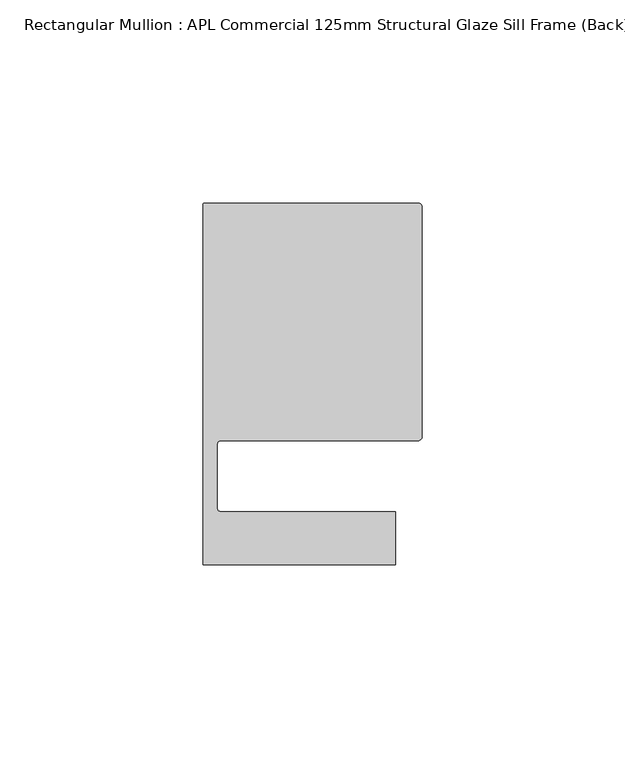
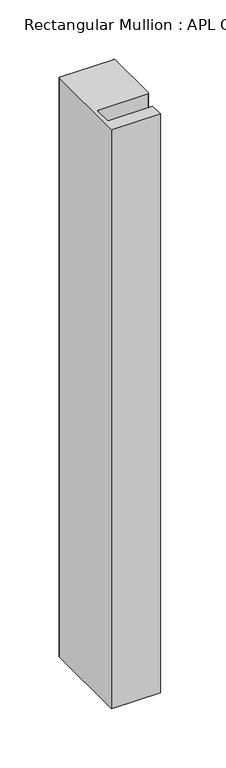
"""IFC4 building model written with IfcOpenShell, lengths in millimetres: member geometry, Rectangular Mullion : APL Commercial 125mm Structural Glaze Sill Frame (Back)."""

from ifc_helpers import new_model, si_unit, frame, origin, place, context, project, spatial, polyline, circle_curve, source, transform, mapped, element, save
from ifc_brep_helpers import plane_surface, cylinder_surface, revolved_surface, advanced_brep


def rectangular_mullion_apl_commercial_125mm_structural_glaze_0c037e33(model_context):
    return source(origin(), model_context, "Body", "AdvancedBrep", [
        advanced_brep(
        [(-53.5000029, 104.0, 0.0), (-54.0000029, 103.5, 0.0), (-54.0000029, 15.0004332, 0.0), (-6.5000029, 15.0004332, 0.0), (-6.5000029, 28.0004332, 0.0), (-49.5000029, 28.0004332, 0.0), (-50.5000029, 29.0004332, 0.0), (-50.5000029, 44.5010268, 0.0), (-49.5000004, 45.5010268, 0.0), (-1.0, 45.5010268, 0.0), (0.0, 46.5010268, 0.0), (0.0, 103.0, 0.0), (-1.0000025, 104.0, 0.0), (-53.5000029, 104.0, -597.1422708), (-1.0000025, 104.0, -597.1422708), (-2.5e-06, 103.0, -597.1422708), (0.0, 46.5010268, -597.1422708), (-1.0, 45.5010268, -597.1422708), (-49.5000004, 45.5010268, -597.1422708), (-50.5000004, 44.5010268, -597.1422708), (-50.5000029, 29.0004332, -597.1422708), (-49.5000029, 28.0004332, -597.1422708), (-6.5000029, 28.0004332, -597.1422708), (-6.5000029, 15.0004332, -597.1422708), (-54.0000029, 15.0004332, -597.1422708), (-54.0000029, 103.5, -597.1422708)],
        [
            (0, 1, circle_curve(frame((-53.5000029, 103.5, 0.0), z_axis=(0.0, 0.0, 1.0), x_axis=(0.0, 1.0, 0.0)), 0.5)),
            (1, 2),
            (2, 3),
            (3, 4),
            (4, 5),
            (5, 6, circle_curve(frame((-49.5000029, 29.0004332, 0.0), z_axis=(0.0, 0.0, -1.0), x_axis=(0.0, -1.0, 0.0)), 1.0)),
            (6, 7),
            (7, 8, circle_curve(frame((-49.5000004, 44.5010268, 0.0), z_axis=(0.0, 0.0, -1.0), x_axis=(-0.9999999999998819, 4.863123717036027e-07, 0.0)), 1.0)),
            (8, 9),
            (9, 10, circle_curve(frame((-1.0, 46.5010268, 0.0), z_axis=(0.0, 0.0, 1.0), x_axis=(0.0, -1.0, 0.0)), 1.0)),
            (10, 11),
            (11, 12, circle_curve(frame((-1.0000025, 103.0, 0.0), z_axis=(0.0, 0.0, 1.0), x_axis=(0.9999999999996143, 8.78371761103865e-07, 0.0)), 1.0)),
            (12, 0),
            (13, 14),
            (14, 15, circle_curve(frame((-1.0000025, 103.0, -597.1422708), z_axis=(0.0, 0.0, -1.0), x_axis=(0.9999999999996143, 8.78371761103865e-07, 0.0)), 1.0)),
            (15, 16),
            (16, 17, circle_curve(frame((-1.0, 46.5010268, -597.1422708), z_axis=(0.0, 0.0, -1.0), x_axis=(0.0, -1.0, 0.0)), 1.0)),
            (17, 18),
            (18, 19, circle_curve(frame((-49.5000004, 44.5010268, -597.1422708), z_axis=(0.0, 0.0, 1.0), x_axis=(-0.9999999999998819, 4.863123717036027e-07, 0.0)), 1.0)),
            (19, 20),
            (20, 21, circle_curve(frame((-49.5000029, 29.0004332, -597.1422708), z_axis=(0.0, 0.0, 1.0), x_axis=(0.0, -1.0, 0.0)), 1.0)),
            (21, 22),
            (22, 23),
            (23, 24),
            (24, 25),
            (25, 13, circle_curve(frame((-53.5000029, 103.5, -597.1422708), z_axis=(0.0, 0.0, -1.0), x_axis=(0.0, 1.0, 0.0)), 0.5)),
            (0, 13),
            (25, 1),
            (24, 2),
            (23, 3),
            (22, 4),
            (21, 5),
            (20, 6),
            (19, 7),
            (18, 8),
            (17, 9),
            (16, 10),
            (15, 11),
            (14, 12),
        ],
        [
            plane_surface(frame((0.0, -116.986179, 0.0), z_axis=(0.0, 0.0, 1.0), x_axis=(-1.0, 0.0, 0.0))),
            plane_surface(frame((0.0, -116.986179, -597.1422708), z_axis=(0.0, 0.0, -1.0), x_axis=(-1.0, 0.0, 0.0))),
            cylinder_surface(frame((-53.5000029, 103.5, 0.0), z_axis=(0.0, 0.0, 1.0), x_axis=(0.0, 1.0, 0.0)), 0.5),
            plane_surface(frame((-54.0000029, 103.5, 0.0), z_axis=(-1.0, 0.0, 0.0), x_axis=(0.0, 0.0, -1.0))),
            plane_surface(frame((-54.0000029, 15.0004332, 0.0), z_axis=(0.0, -1.0, 0.0), x_axis=(0.0, 0.0, -1.0))),
            plane_surface(frame((-6.5000029, 15.0004332, 0.0), z_axis=(1.0, 0.0, 0.0), x_axis=(0.0, 0.0, -1.0))),
            plane_surface(frame((-6.5000029, 28.0004332, 0.0), z_axis=(0.0, 1.0, 0.0), x_axis=(0.0, 0.0, -1.0))),
            revolved_surface(polyline([(-49.5000029, 28.0004332, -597.1422708), (-49.5000029, 28.0004332, 0.0)]), (-49.5000029, 29.0004332, 0.0), (0.0, 0.0, -1.0)),
            plane_surface(frame((-50.5000029, 29.0004332, 0.0), z_axis=(1.0, 0.0, 0.0), x_axis=(0.0, 0.0, -1.0))),
            revolved_surface(polyline([(-50.50000039999988, 44.50102728631237, -597.1422708000002), (-50.50000039999988, 44.50102728631237, 0.0)]), (-49.5000004, 44.5010268, 0.0), (0.0, 0.0, -1.0000000000000002)),
            plane_surface(frame((-49.5000004, 45.5010268, 0.0), z_axis=(0.0, -1.0, 0.0), x_axis=(0.0, 0.0, -1.0))),
            cylinder_surface(frame((-1.0, 46.5010268, 0.0), z_axis=(0.0, 0.0, 1.0), x_axis=(0.0, -1.0, 0.0)), 1.0),
            plane_surface(frame((0.0, 46.5010268, 0.0), z_axis=(1.0, 0.0, 0.0), x_axis=(0.0, 0.0, -1.0))),
            cylinder_surface(frame((-1.0000025, 103.0, 0.0), z_axis=(0.0, 0.0, 1.0000000000000002), x_axis=(0.9999999999996143, 8.78371761103865e-07, 0.0)), 1.0),
            plane_surface(frame((-1.0000025, 104.0, 0.0), z_axis=(0.0, 1.0, 0.0), x_axis=(0.0, 0.0, -1.0))),
        ],
        [
            (0, [[1, 2, 3, 4, 5, 6, 7, 8, 9, 10, 11, 12, 13]]),
            (1, [[14, 15, 16, 17, 18, 19, 20, 21, 22, 23, 24, 25, 26]]),
            (2, [[-1, 27, -26, 28]]),
            (3, [[-2, -28, -25, 29]]),
            (4, [[-3, -29, -24, 30]]),
            (5, [[-4, -30, -23, 31]]),
            (6, [[-5, -31, -22, 32]]),
            (7, [[-6, -32, -21, 33]]),
            (8, [[-7, -33, -20, 34]]),
            (9, [[-8, -34, -19, 35]]),
            (10, [[-9, -35, -18, 36]]),
            (11, [[-10, -36, -17, 37]]),
            (12, [[-11, -37, -16, 38]]),
            (13, [[-12, -38, -15, 39]]),
            (14, [[-13, -39, -14, -27]]),
        ],
    ),
    ])


if __name__ == "__main__":
    model = new_model("IFC4")
    model_context = context("Model", 3, world=origin())
    ifc_project = project(units=[si_unit("LENGTHUNIT", "METRE", prefix="MILLI")], contexts=[model_context])
    site = spatial("IfcSite", under=ifc_project)
    building = spatial("IfcBuilding", under=site)
    placement = place(None, origin())
    rectangular_mullion_apl_commercial_125mm_structural_glaze_shape = rectangular_mullion_apl_commercial_125mm_structural_glaze_0c037e33(model_context)
    element("IfcMember", 1, ObjectType="Rectangular Mullion : APL Commercial 125mm Structural Glaze Sill Frame (Back)", at=placement, inside=building, context=model_context, shape_type="MappedRepresentation", body=[
        mapped(rectangular_mullion_apl_commercial_125mm_structural_glaze_shape, transform((0.0, 0.0, 0.0), x_axis=(1.0, 0.0, 0.0), y_axis=(0.0, 1.0, 0.0), z_axis=(0.0, 0.0, 1.0))),
    ])
    save(model, "model.ifc")
